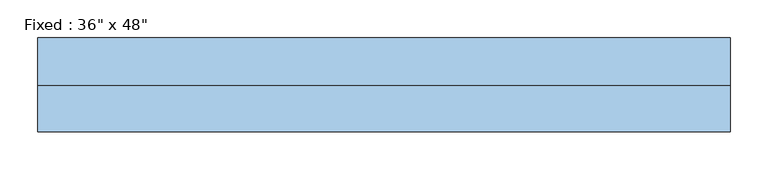
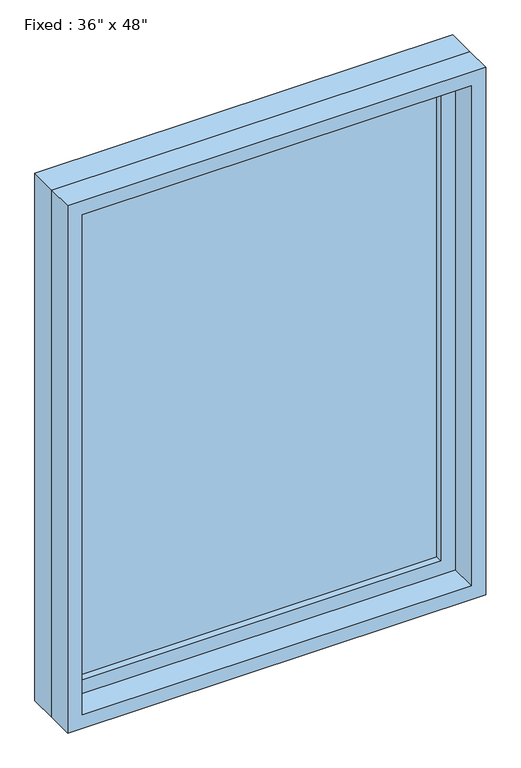
"""IFC4 building model written with IfcOpenShell, lengths in millimetres: window geometry."""

from ifc_helpers import new_model, si_unit, frame, origin, place, context, project, spatial, polyline, outline, extrude, source, transform, mapped, element, save


def window_96cf1632(model_context):
    return source(origin(), model_context, "Body", "SweptSolid", [
        extrude(outline(polyline([(355.6, 14.2875), (-431.8, 14.2875), (-431.8, 26.9875), (355.6, 26.9875), (355.6, 14.2875)])), frame((0.0, 0.0, 977.9), z_axis=(0.0, 0.0, 1.0), x_axis=(1.0, 0.0, 0.0)), (0.0, 0.0, 1.0), 1092.2),
        extrude(outline(polyline([(2114.55, -476.25), (933.45, -476.25), (933.45, 400.05), (2114.55, 400.05), (2114.55, -476.25)]), holes=[polyline([(2070.1, -431.8), (2070.1, 355.6), (977.9, 355.6), (977.9, -431.8), (2070.1, -431.8)])]), frame((0.0, -1.5875, 0.0), z_axis=(0.0, 1.0, 0.0), x_axis=(0.0, 0.0, 1.0)), (0.0, 0.0, 1.0), 44.45),
        extrude(outline(polyline([(2133.6, -495.3), (914.4, -495.3), (914.4, 419.1), (2133.6, 419.1), (2133.6, -495.3)]), holes=[polyline([(2101.85, -463.55), (2101.85, 387.35), (946.15, 387.35), (946.15, -463.55), (2101.85, -463.55)])]), frame((0.0, -61.9125, 0.0), z_axis=(0.0, 1.0, 0.0), x_axis=(0.0, 0.0, 1.0)), (0.0, 0.0, 1.0), 60.325),
        extrude(outline(polyline([(2133.6, 419.1), (2133.6, -495.3), (914.4, -495.3), (914.4, 419.1), (2133.6, 419.1)]), holes=[polyline([(2114.55, 400.05), (933.45, 400.05), (933.45, -476.25), (2114.55, -476.25), (2114.55, 400.05)])]), frame((0.0, -1.5875, 0.0), z_axis=(0.0, 1.0, 0.0), x_axis=(0.0, 0.0, 1.0)), (0.0, 0.0, 1.0), 63.5),
    ])


if __name__ == "__main__":
    model = new_model("IFC4")
    model_context = context("Model", 3, world=origin())
    ifc_project = project(units=[si_unit("LENGTHUNIT", "METRE", prefix="MILLI")], contexts=[model_context])
    site = spatial("IfcSite", under=ifc_project)
    building = spatial("IfcBuilding", under=site)
    placement = place(None, origin())
    window_shape = window_96cf1632(model_context)
    element("IfcWindow", 1, ObjectType="Fixed : 36\" x 48\"", at=placement, inside=building, context=model_context, shape_type="MappedRepresentation", body=[
        mapped(window_shape, transform((0.0, 0.0, 0.0), x_axis=(1.0, 0.0, 0.0), y_axis=(0.0, 1.0, 0.0), z_axis=(0.0, 0.0, 1.0))),
    ])
    save(model, "model.ifc")
